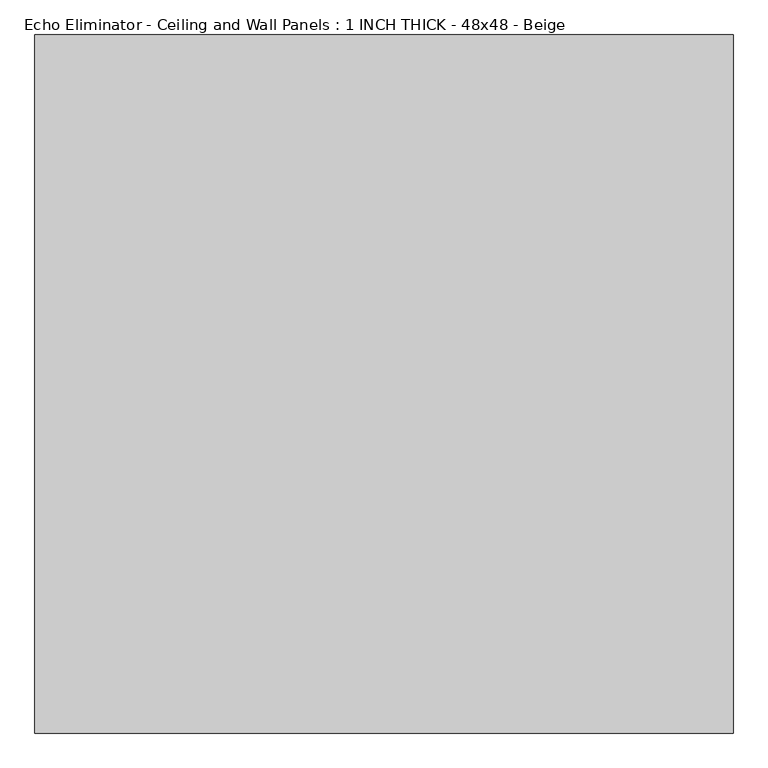
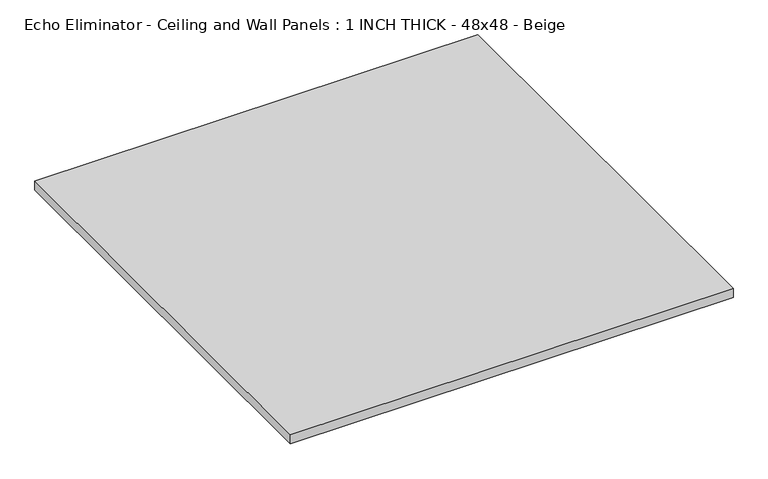
"""IFC4 building model written with IfcOpenShell, lengths in millimetres: proxy geometry, Echo Eliminator - Ceiling and Wall Panels : 1 INCH THICK - 48x48 - Beige."""

from ifc_helpers import new_model, si_unit, origin, origin_with_axes, place, context, project, spatial, polyline, outline, extrude, source, transform, mapped, element, save


def echo_eliminator_ceiling_and_wall_panels_1_inch_thick_48x48_0f7442b7(model_context):
    return source(origin(), model_context, "Body", "SweptSolid", [
        extrude(outline(polyline([(-609.6, 609.6), (609.6, 609.6), (609.6, -609.6), (-609.6, -609.6), (-609.6, 609.6)])), origin_with_axes(), (0.0, 0.0, 1.0), 25.4),
    ])


if __name__ == "__main__":
    model = new_model("IFC4")
    model_context = context("Model", 3, world=origin())
    ifc_project = project(units=[si_unit("LENGTHUNIT", "METRE", prefix="MILLI")], contexts=[model_context])
    site = spatial("IfcSite", under=ifc_project)
    building = spatial("IfcBuilding", under=site)
    placement = place(None, origin())
    echo_eliminator_ceiling_and_wall_panels_1_inch_thick_48x48_shape = echo_eliminator_ceiling_and_wall_panels_1_inch_thick_48x48_0f7442b7(model_context)
    element("IfcBuildingElementProxy", 1, Name="Echo Eliminator - Ceiling and Wall Panels : 1 INCH THICK - 48x48 - Beige", ObjectType="Echo Eliminator - Ceiling and Wall Panels : 1 INCH THICK - 48x48 - Beige", at=placement, inside=building, context=model_context, shape_type="MappedRepresentation", body=[
        mapped(echo_eliminator_ceiling_and_wall_panels_1_inch_thick_48x48_shape, transform((0.0, 0.0, 0.0), x_axis=(1.0, 0.0, 0.0), y_axis=(0.0, 1.0, 0.0), z_axis=(0.0, 0.0, 1.0))),
    ])
    save(model, "model.ifc")
